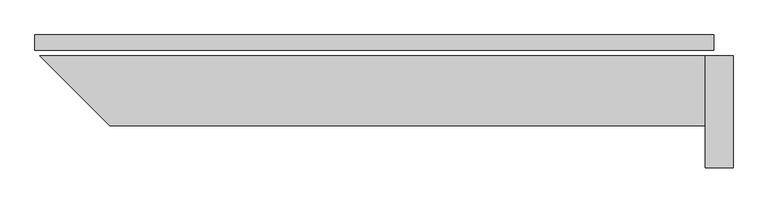
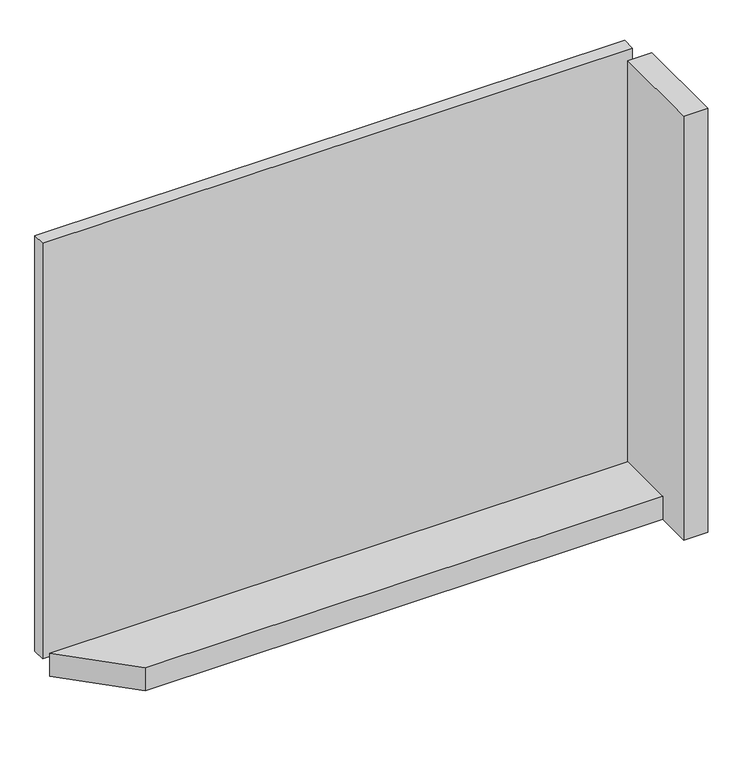
"""IFC4 building model written with IfcOpenShell, lengths in millimetres: plate geometry."""

import ifcopenshell
import ifcopenshell.guid

model = None  # the IFC model being written
_history = None  # IfcOwnerHistory: only IFC2X3 demands one
_inside = {}  # id of a spatial element -> (the spatial element, [elements in it])
_under = {}  # id of a project, library or spatial element -> (it, [spatial elements below it])
_declared = {}  # id of a project -> (the project, [libraries it declares])
_typed = {}  # id of a type object -> (the type object, [elements of that type])
_made_of = {}  # id of a material, layer set ... -> (it, [elements and type objects made of it])


def new_model(schema):
    """Start an empty IFC model of exactly this schema.

    Asked for "IFC4X3", IfcOpenShell would pick the latest addendum, in which some entities
    have other attributes; the version numbers below select the first issue.
    IFC2X3 requires an IfcOwnerHistory on every rooted entity: one is made here for all.
    """
    global model, _history
    if schema == "IFC4X3":
        model = ifcopenshell.file(schema_version=(4, 3, 0, 0))
    else:
        model = ifcopenshell.file(schema=schema)
    _inside.clear()
    _under.clear()
    _declared.clear()
    _typed.clear()
    _made_of.clear()
    _history = None
    if model.schema == "IFC2X3":
        org = make("IfcOrganization", Name="unknown")
        user = make(
            "IfcPersonAndOrganization",
            ThePerson=make("IfcPerson", FamilyName="unknown"),
            TheOrganization=org,
        )
        app = make(
            "IfcApplication",
            ApplicationDeveloper=org,
            Version="unknown",
            ApplicationFullName="unknown",
            ApplicationIdentifier="unknown",
        )
        _history = make(
            "IfcOwnerHistory",
            OwningUser=user,
            OwningApplication=app,
            ChangeAction="ADDED",
            CreationDate=0,
        )
    return model


def make(cls, **values):
    """One entity of the class cls with the attributes given. An attribute that is None is left unset."""
    return model.create_entity(
        cls, **{name: value for name, value in values.items() if value is not None}
    )


def rooted(cls, **values):
    """An entity with a GlobalId (a new one), such as an element, a storey or a relation."""
    return make(cls, GlobalId=ifcopenshell.guid.new(), OwnerHistory=_history, **values)


def si_unit(unit_type, name, prefix=None):
    """IfcSIUnit, for example si_unit("LENGTHUNIT", "METRE", prefix="MILLI")."""
    return make("IfcSIUnit", UnitType=unit_type, Prefix=prefix, Name=name)


def assignment(units):
    """IfcUnitAssignment: the units of a project."""
    return None if units is None else make("IfcUnitAssignment", Units=units)


def point(xyz):
    """IfcCartesianPoint."""
    return None if xyz is None else make("IfcCartesianPoint", Coordinates=xyz)


def direction(xyz):
    """IfcDirection."""
    return None if xyz is None else make("IfcDirection", DirectionRatios=xyz)


def frame(location, z_axis=None, x_axis=None):
    """IfcAxis2Placement3D, a coordinate frame: its origin and axes. An axis left out is left unset."""
    return make(
        "IfcAxis2Placement3D",
        Location=point(location),
        Axis=direction(z_axis),
        RefDirection=direction(x_axis),
    )


def origin():
    """The frame at (0, 0, 0) with its axes left unset."""
    return frame((0.0, 0.0, 0.0))


def origin_with_axes():
    """The frame at (0, 0, 0) with the z axis (0, 0, 1) and the x axis (1, 0, 0) written out."""
    return frame((0.0, 0.0, 0.0), z_axis=(0.0, 0.0, 1.0), x_axis=(1.0, 0.0, 0.0))


def place(relative_to, where):
    """IfcLocalPlacement: puts the frame where relative to a parent placement (None: the world)."""
    return make(
        "IfcLocalPlacement", PlacementRelTo=relative_to, RelativePlacement=where
    )


def context(
    kind, dimensions, precision=None, world=None, true_north=None, identifier=None
):
    """IfcGeometricRepresentationContext, for example the 3D "Model" context."""
    return make(
        "IfcGeometricRepresentationContext",
        ContextIdentifier=identifier,
        ContextType=kind,
        CoordinateSpaceDimension=dimensions,
        Precision=precision,
        WorldCoordinateSystem=world,
        TrueNorth=true_north,
    )


def project(units=None, contexts=None):
    """IfcProject with its units and contexts."""
    return rooted(
        "IfcProject",
        Name="project",
        RepresentationContexts=contexts,
        UnitsInContext=assignment(units),
    )


def spatial(cls, under=None, at=None, **own):
    """A site, building, storey or space (cls), placed at a placement, below another one or the project."""
    s = rooted(cls, ObjectPlacement=at, **own)
    if under is not None:
        _under.setdefault(under.id(), (under, []))[1].append(s)
    return s


def polyline(points):
    """IfcPolyline through the points."""
    return make("IfcPolyline", Points=[point(p) for p in points])


def outline(outer, holes=None, kind="AREA"):
    """IfcArbitraryClosedProfileDef: a profile drawn as a closed curve; with holes, ...WithVoids."""
    if holes is None:
        return make("IfcArbitraryClosedProfileDef", ProfileType=kind, OuterCurve=outer)
    return make(
        "IfcArbitraryProfileDefWithVoids",
        ProfileType=kind,
        OuterCurve=outer,
        InnerCurves=holes,
    )


def extrude(swept, where, along, depth):
    """IfcExtrudedAreaSolid: the profile swept, set in the frame where, extruded along a direction by depth."""
    return make(
        "IfcExtrudedAreaSolid",
        SweptArea=swept,
        Position=where,
        ExtrudedDirection=direction(along),
        Depth=depth,
    )


def shape(context_of_items, identifier, shape_type, items):
    """IfcShapeRepresentation: the items that make up one representation, for example the "Body"."""
    return make(
        "IfcShapeRepresentation",
        ContextOfItems=context_of_items,
        RepresentationIdentifier=identifier,
        RepresentationType=shape_type,
        Items=items,
    )


def source(mapping_origin, context_of_items, identifier, shape_type, items):
    """IfcRepresentationMap: a shape defined once, which mapped items show again and again."""
    return make(
        "IfcRepresentationMap",
        MappingOrigin=mapping_origin,
        MappedRepresentation=shape(context_of_items, identifier, shape_type, items),
    )


def transform(
    local_origin,
    x_axis=None,
    y_axis=None,
    z_axis=None,
    scale=None,
    scale2=None,
    scale3=None,
    uniform=True,
):
    """IfcCartesianTransformationOperator3D, or its non-uniform kind. x_axis, y_axis, z_axis: its Axis1, 2, 3."""
    if uniform:
        return make(
            "IfcCartesianTransformationOperator3D",
            Axis1=direction(x_axis),
            Axis2=direction(y_axis),
            LocalOrigin=point(local_origin),
            Scale=scale,
            Axis3=direction(z_axis),
        )
    return make(
        "IfcCartesianTransformationOperator3DnonUniform",
        Axis1=direction(x_axis),
        Axis2=direction(y_axis),
        LocalOrigin=point(local_origin),
        Scale=scale,
        Axis3=direction(z_axis),
        Scale2=scale2,
        Scale3=scale3,
    )


def mapped(mapping_source, mapping_target):
    """IfcMappedItem: shows the shape of a source again, moved by a transform."""
    return make(
        "IfcMappedItem", MappingSource=mapping_source, MappingTarget=mapping_target
    )


def made_of(thing, what):
    """Note that an element or type object is made of a material, layer set ...; save() writes the relation."""
    if what is not None:
        _made_of.setdefault(what.id(), (what, []))[1].append(thing)
    return thing


def element(
    cls,
    number,
    at=None,
    inside=None,
    cuts=None,
    type_object=None,
    material=None,
    context=None,
    identifier="Body",
    shape_type=None,
    held_by="IfcProductDefinitionShape",
    body=None,
    shapes=None,
    **own,
):
    """One element of the class cls, such as IfcWall. Its Tag is "e" and its number.

    at: its placement. inside: the storey or other place that contains it. cuts: it is an
    opening in that element (IfcRelVoidsElement). A single representation is given by context,
    identifier, shape_type and body (its items); several are given by shapes. held_by: the class
    of the entity that holds the representations. save() writes the other relations.
    """
    e = rooted(cls, Tag="e%d" % number, ObjectPlacement=at, **own)
    if body is not None:
        shapes = [shape(context, identifier, shape_type, body)]
    if shapes is not None:
        e.Representation = make(held_by, Representations=shapes)
    if inside is not None:
        _inside.setdefault(inside.id(), (inside, []))[1].append(e)
    if cuts is not None:
        rooted(
            "IfcRelVoidsElement", RelatingBuildingElement=cuts, RelatedOpeningElement=e
        )
    if type_object is not None:
        _typed.setdefault(type_object.id(), (type_object, []))[1].append(e)
    return made_of(e, material)


def aggregate(whole, parts):
    """IfcRelAggregates: a whole, such as a stair, and the parts it consists of."""
    return rooted("IfcRelAggregates", RelatingObject=whole, RelatedObjects=parts)


def save(model, path):
    """Write the relations noted so far, then the file.

    IfcRelAggregates (storeys below a building ...), IfcRelContainedInSpatialStructure (elements
    in a storey), IfcRelDefinesByType, IfcRelAssociatesMaterial and IfcRelDeclares: one each for
    every whole, place, type object, material and project.
    """
    for whole, parts in _under.values():
        aggregate(whole, parts)
    for where, things in _inside.values():
        rooted(
            "IfcRelContainedInSpatialStructure",
            RelatedElements=things,
            RelatingStructure=where,
        )
    for kind, things in _typed.values():
        rooted("IfcRelDefinesByType", RelatedObjects=things, RelatingType=kind)
    for what, things in _made_of.values():
        rooted("IfcRelAssociatesMaterial", RelatedObjects=things, RelatingMaterial=what)
    for by, libraries in _declared.values():
        rooted("IfcRelDeclares", RelatingContext=by, RelatedDefinitions=libraries)
    model.write(path)


def plate_39c0a448(model_context):
    return source(origin(), model_context, "Body", "SweptSolid", [
        extrude(outline(polyline([(972.0, 0.0), (972.0, -44.0), (-972.0, -44.0), (-972.0, 0.0), (972.0, 0.0)])), origin_with_axes(), (0.0, 0.0, 1.0), 1447.534293),
        extrude(outline(polyline([(947.0, -260.0), (-758.4314575, -260.0), (-958.4314575, -60.0), (947.0, -60.0), (947.0, -260.0)])), frame((0.0, 0.0, -55.0), z_axis=(0.0, 0.0, 1.0), x_axis=(1.0, 0.0, 0.0)), (0.0, 0.0, 1.0), 80.0),
        extrude(outline(polyline([(1027.0, -60.0), (1027.0, -380.0), (947.0, -380.0), (947.0, -60.0), (1027.0, -60.0)])), frame((0.0, 0.0, -55.0), z_axis=(0.0, 0.0, 1.0), x_axis=(1.0, 0.0, 0.0)), (0.0, 0.0, 1.0), 1477.534293),
    ])


if __name__ == "__main__":
    model = new_model("IFC4")
    model_context = context("Model", 3, world=origin())
    ifc_project = project(units=[si_unit("LENGTHUNIT", "METRE", prefix="MILLI")], contexts=[model_context])
    site = spatial("IfcSite", under=ifc_project)
    building = spatial("IfcBuilding", under=site)
    placement = place(None, origin())
    plate_shape = plate_39c0a448(model_context)
    element("IfcPlate", 1, at=placement, inside=building, context=model_context, shape_type="MappedRepresentation", body=[
        mapped(plate_shape, transform((0.0, 0.0, 0.0), x_axis=(1.0, 0.0, 0.0), y_axis=(0.0, 1.0, 0.0), z_axis=(0.0, 0.0, 1.0))),
    ])
    save(model, "model.ifc")
